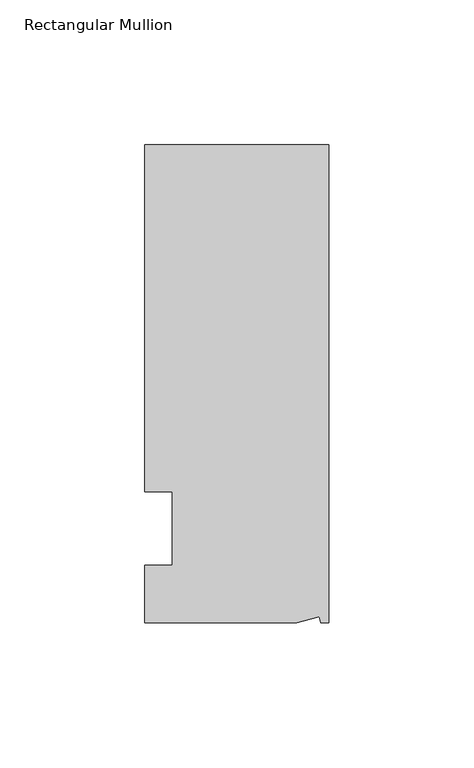
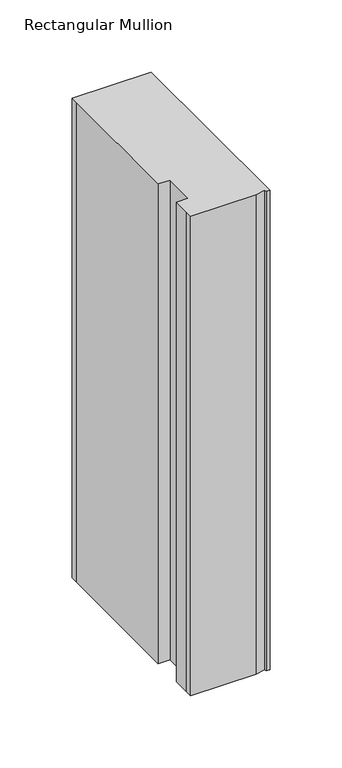
"""IFC4 building model written with IfcOpenShell, lengths in millimetres: member geometry, Rectangular Mullion."""

from ifc_helpers import new_model, si_unit, frame, origin, place, context, project, spatial, polyline, outline, extrude, source, transform, mapped, element, save


def rectangular_mullion_30d1f2a8(model_context):
    return source(origin(), model_context, "Body", "SweptSolid", [
        extrude(outline(polyline([(0.0, 132.5561012), (0.0, -32.5438988), (-2.7616541, -32.5438988), (-3.3341886, -30.4622958), (-11.121847, -32.5438988), (-63.5, -32.5438988), (-63.5, -26.1938988), (-63.5, -12.5945801), (-53.975, -12.5945801), (-53.975, 12.8054199), (-63.5, 12.8054199), (-63.5, 126.2061012), (-63.5, 132.5561012), (0.0, 132.5561012)])), frame((0.0, 0.0, -406.4), z_axis=(0.0, 0.0, 1.0), x_axis=(1.0, 0.0, 0.0)), (0.0, 0.0, 1.0), 406.4),
    ])


if __name__ == "__main__":
    model = new_model("IFC4")
    model_context = context("Model", 3, world=origin())
    ifc_project = project(units=[si_unit("LENGTHUNIT", "METRE", prefix="MILLI")], contexts=[model_context])
    site = spatial("IfcSite", under=ifc_project)
    building = spatial("IfcBuilding", under=site)
    placement = place(None, origin())
    rectangular_mullion_shape = rectangular_mullion_30d1f2a8(model_context)
    element("IfcMember", 1, ObjectType="Rectangular Mullion", at=placement, inside=building, context=model_context, shape_type="MappedRepresentation", body=[
        mapped(rectangular_mullion_shape, transform((0.0, 0.0, 0.0), x_axis=(1.0, 0.0, 0.0), y_axis=(0.0, 1.0, 0.0), z_axis=(0.0, 0.0, 1.0))),
    ])
    save(model, "model.ifc")
